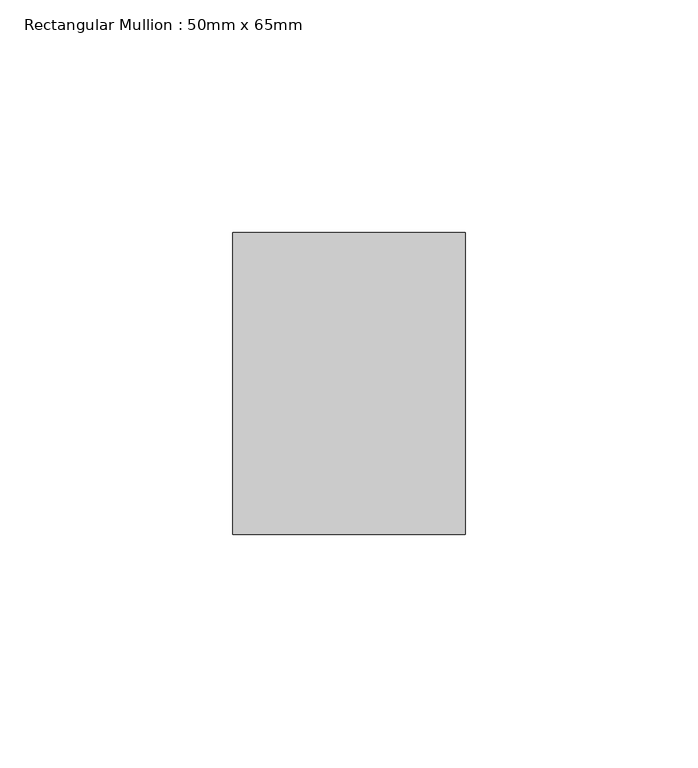
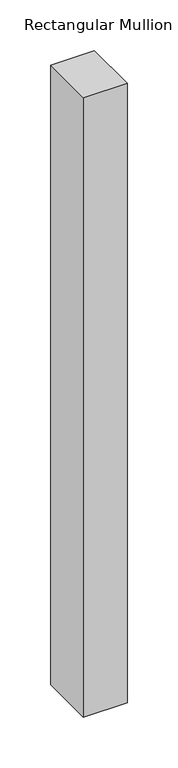
"""IFC4 building model written with IfcOpenShell, lengths in millimetres: member geometry, Rectangular Mullion : 50mm x 65mm."""

from ifc_helpers import new_model, si_unit, frame, origin, place, context, project, spatial, polyline, outline, extrude, source, transform, mapped, element, save


def rectangular_mullion_50mm_x_65mm_5557bdbb(model_context):
    return source(origin(), model_context, "Body", "SweptSolid", [
        extrude(outline(polyline([(25.0, 32.5), (25.0, -32.5), (-25.0, -32.5), (-25.0, 32.5), (25.0, 32.5)])), frame((0.0, 0.0, -748.3578392), z_axis=(0.0, 0.0, 1.0), x_axis=(1.0, 0.0, 0.0)), (0.0, 0.0, 1.0), 748.3578392),
    ])


if __name__ == "__main__":
    model = new_model("IFC4")
    model_context = context("Model", 3, world=origin())
    ifc_project = project(units=[si_unit("LENGTHUNIT", "METRE", prefix="MILLI")], contexts=[model_context])
    site = spatial("IfcSite", under=ifc_project)
    building = spatial("IfcBuilding", under=site)
    placement = place(None, origin())
    rectangular_mullion_50mm_x_65mm_shape = rectangular_mullion_50mm_x_65mm_5557bdbb(model_context)
    element("IfcMember", 1, ObjectType="Rectangular Mullion : 50mm x 65mm", at=placement, inside=building, context=model_context, shape_type="MappedRepresentation", body=[
        mapped(rectangular_mullion_50mm_x_65mm_shape, transform((0.0, 0.0, 0.0), x_axis=(1.0, 0.0, 0.0), y_axis=(0.0, 1.0, 0.0), z_axis=(0.0, 0.0, 1.0))),
    ])
    save(model, "model.ifc")
